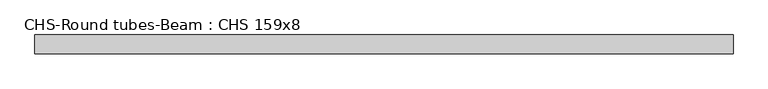
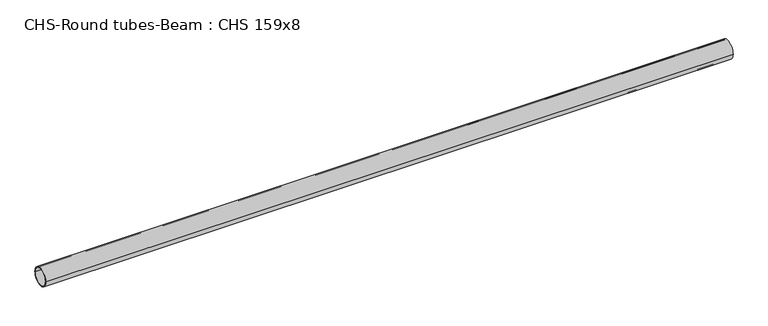
"""IFC4 building model written with IfcOpenShell, lengths in millimetres: beam geometry, CHS-Round tubes-Beam : CHS 159x8."""

from ifc_helpers import new_model, si_unit, point, frame, origin, origin_2d, place, context, project, spatial, circle_curve, trimmed, segment, composite_curve, outline, extrude, source, transform, mapped, element, save


def chs_round_tubes_beam_chs_159x8_01f371e5(model_context):
    return source(origin(), model_context, "Body", "SweptSolid", [
        extrude(outline(composite_curve([segment(trimmed(circle_curve(origin_2d(), 79.5), [point((79.5, 0.0))], [point((-79.5, 0.0))], False, "CARTESIAN"), True, "CONTINUOUS"), segment(trimmed(circle_curve(origin_2d(), 79.5), [point((-79.5, 0.0))], [point((79.5, 0.0))], False, "CARTESIAN"), True, "CONTINUOUS")], self_intersect=False), holes=[composite_curve([segment(trimmed(circle_curve(origin_2d(), 71.5), [point((71.5, 0.0))], [point((-71.5, 0.0))], True, "CARTESIAN"), True, "CONTINUOUS"), segment(trimmed(circle_curve(origin_2d(), 71.5), [point((-71.5, 0.0))], [point((71.5, 0.0))], True, "CARTESIAN"), True, "CONTINUOUS")], self_intersect=False)]), frame((-2946.5059899, 0.0, 0.0), z_axis=(1.0, 0.0, 0.0), x_axis=(0.0, 1.0, 0.0)), (0.0, 0.0, 1.0), 5893.0119798),
    ])


if __name__ == "__main__":
    model = new_model("IFC4")
    model_context = context("Model", 3, world=origin())
    ifc_project = project(units=[si_unit("LENGTHUNIT", "METRE", prefix="MILLI")], contexts=[model_context])
    site = spatial("IfcSite", under=ifc_project)
    building = spatial("IfcBuilding", under=site)
    placement = place(None, origin())
    chs_round_tubes_beam_chs_159x8_shape = chs_round_tubes_beam_chs_159x8_01f371e5(model_context)
    element("IfcBeam", 1, ObjectType="CHS-Round tubes-Beam : CHS 159x8", at=placement, inside=building, context=model_context, shape_type="MappedRepresentation", body=[
        mapped(chs_round_tubes_beam_chs_159x8_shape, transform((0.0, 0.0, 0.0), x_axis=(1.0, 0.0, 0.0), y_axis=(0.0, 1.0, 0.0), z_axis=(0.0, 0.0, 1.0))),
    ])
    save(model, "model.ifc")
